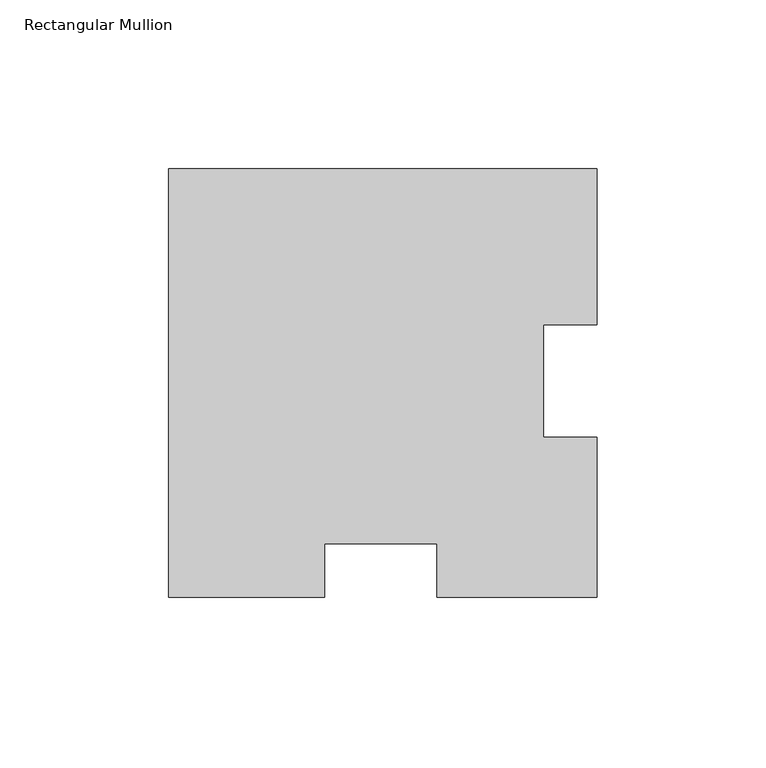
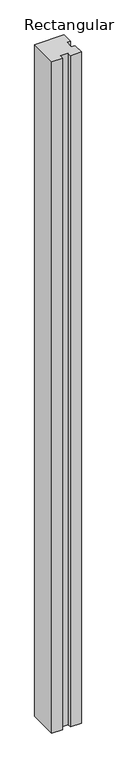
"""IFC4 building model written with IfcOpenShell, lengths in millimetres: member geometry, Rectangular Mullion."""

from ifc_helpers import new_model, si_unit, frame, origin, place, context, project, spatial, polyline, outline, extrude, source, transform, mapped, element, save


def rectangular_mullion_0d474eac(model_context):
    return source(origin(), model_context, "Body", "SweptSolid", [
        extrude(outline(polyline([(0.0, 63.5127), (0.0, 17.2946766), (-15.875, 17.2946766), (-15.875, -16.0413201), (0.0, -16.0413201), (0.0, -63.5), (-47.4540686, -63.5), (-47.4540686, -47.625), (-80.7946766, -47.625), (-80.7946766, -63.5), (-127.0, -63.5), (-127.0, 63.5127), (0.0, 63.5127)])), frame((0.0, 0.0, -3048.0), z_axis=(0.0, 0.0, 1.0), x_axis=(1.0, 0.0, 0.0)), (0.0, 0.0, 1.0), 3048.0),
    ])


if __name__ == "__main__":
    model = new_model("IFC4")
    model_context = context("Model", 3, world=origin())
    ifc_project = project(units=[si_unit("LENGTHUNIT", "METRE", prefix="MILLI")], contexts=[model_context])
    site = spatial("IfcSite", under=ifc_project)
    building = spatial("IfcBuilding", under=site)
    placement = place(None, origin())
    rectangular_mullion_shape = rectangular_mullion_0d474eac(model_context)
    element("IfcMember", 1, ObjectType="Rectangular Mullion", at=placement, inside=building, context=model_context, shape_type="MappedRepresentation", body=[
        mapped(rectangular_mullion_shape, transform((0.0, 0.0, 0.0), x_axis=(1.0, 0.0, 0.0), y_axis=(0.0, 1.0, 0.0), z_axis=(0.0, 0.0, 1.0))),
    ])
    save(model, "model.ifc")
